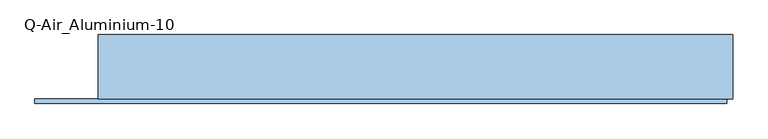
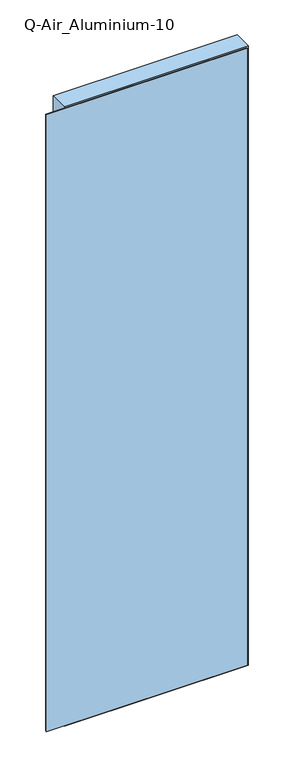
"""IFC4 building model written with IfcOpenShell, lengths in millimetres: window geometry, Q-Air_Aluminium-10."""

from ifc_helpers import new_model, si_unit, frame, origin, place, context, project, spatial, polyline, outline, extrude, source, transform, mapped, element, save


def q_air_aluminium_10_ede65023(model_context):
    return source(origin(), model_context, "Body", "SweptSolid", [
        extrude(outline(polyline([(4020.0, 565.0), (4020.0, -565.0), (0.0, -565.0), (0.0, 565.0), (4020.0, 565.0)]), holes=[polyline([(3962.0, 507.0), (58.0, 507.0), (58.0, -507.0), (3962.0, -507.0), (3962.0, 507.0)])]), frame((0.0, -114.5, 0.0), z_axis=(0.0, 1.0, 0.0), x_axis=(0.0, 0.0, 1.0)), (0.0, 0.0, 1.0), 114.5),
        extrude(outline(polyline([(507.0, 0.0), (507.0, -12.5), (-507.0, -12.5), (-507.0, 0.0), (507.0, 0.0)])), frame((0.0, 0.0, 58.0), z_axis=(0.0, 0.0, 1.0), x_axis=(1.0, 0.0, 0.0)), (0.0, 0.0, 1.0), 3904.0),
        extrude(outline(polyline([(555.0, -114.5), (555.0, -122.5), (-677.4, -122.5), (-677.4, -114.5), (555.0, -114.5)])), frame((0.0, 0.0, 10.0), z_axis=(0.0, 0.0, 1.0), x_axis=(1.0, 0.0, 0.0)), (0.0, 0.0, 1.0), 4000.0),
        extrude(outline(polyline([(4010.0, 555.0), (4010.0, -677.4), (10.0, -677.4), (10.0, 555.0), (4010.0, 555.0)]), holes=[polyline([(3962.0, 507.0), (58.0, 507.0), (58.0, -507.0), (3962.0, -507.0), (3962.0, 507.0)])]), frame((0.0, -118.5, 0.0), z_axis=(0.0, 1.0, 0.0), x_axis=(0.0, 0.0, 1.0)), (0.0, 0.0, 1.0), 4.0),
    ])


if __name__ == "__main__":
    model = new_model("IFC4")
    model_context = context("Model", 3, world=origin())
    ifc_project = project(units=[si_unit("LENGTHUNIT", "METRE", prefix="MILLI")], contexts=[model_context])
    site = spatial("IfcSite", under=ifc_project)
    building = spatial("IfcBuilding", under=site)
    placement = place(None, origin())
    q_air_aluminium_10_shape = q_air_aluminium_10_ede65023(model_context)
    element("IfcWindow", 1, ObjectType="Q-Air_Aluminium-10", at=placement, inside=building, context=model_context, shape_type="MappedRepresentation", body=[
        mapped(q_air_aluminium_10_shape, transform((0.0, 0.0, 0.0), x_axis=(1.0, 0.0, 0.0), y_axis=(0.0, 1.0, 0.0), z_axis=(0.0, 0.0, 1.0))),
    ])
    save(model, "model.ifc")
